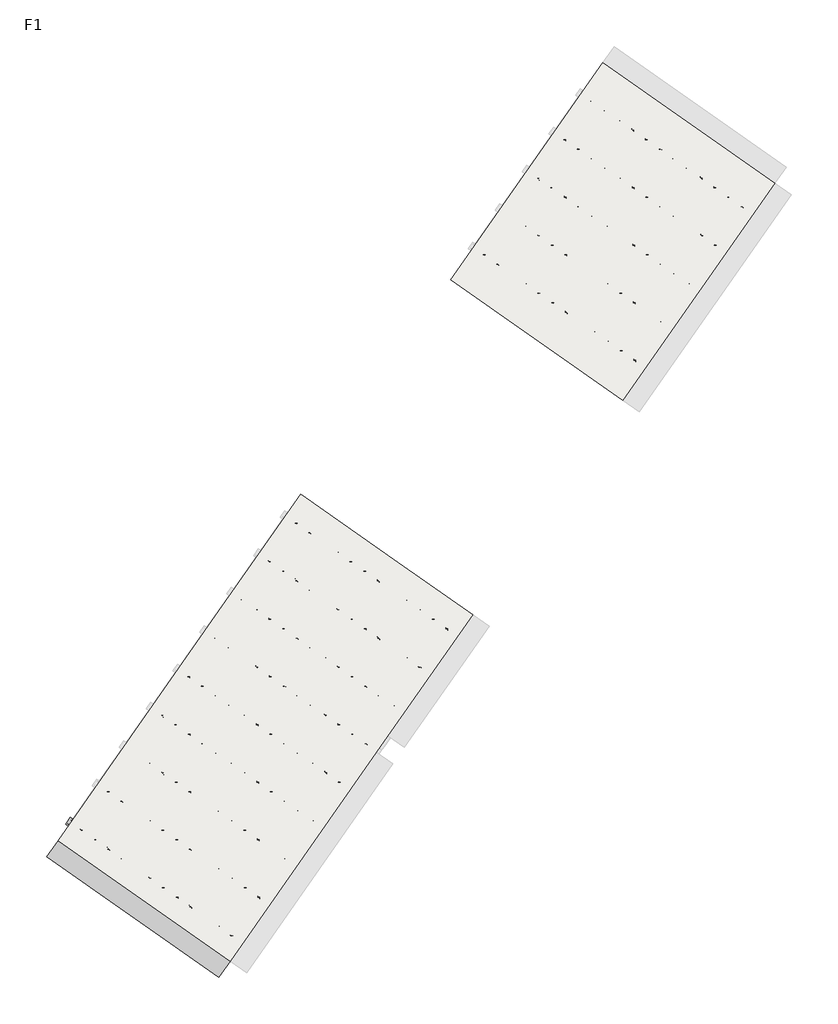
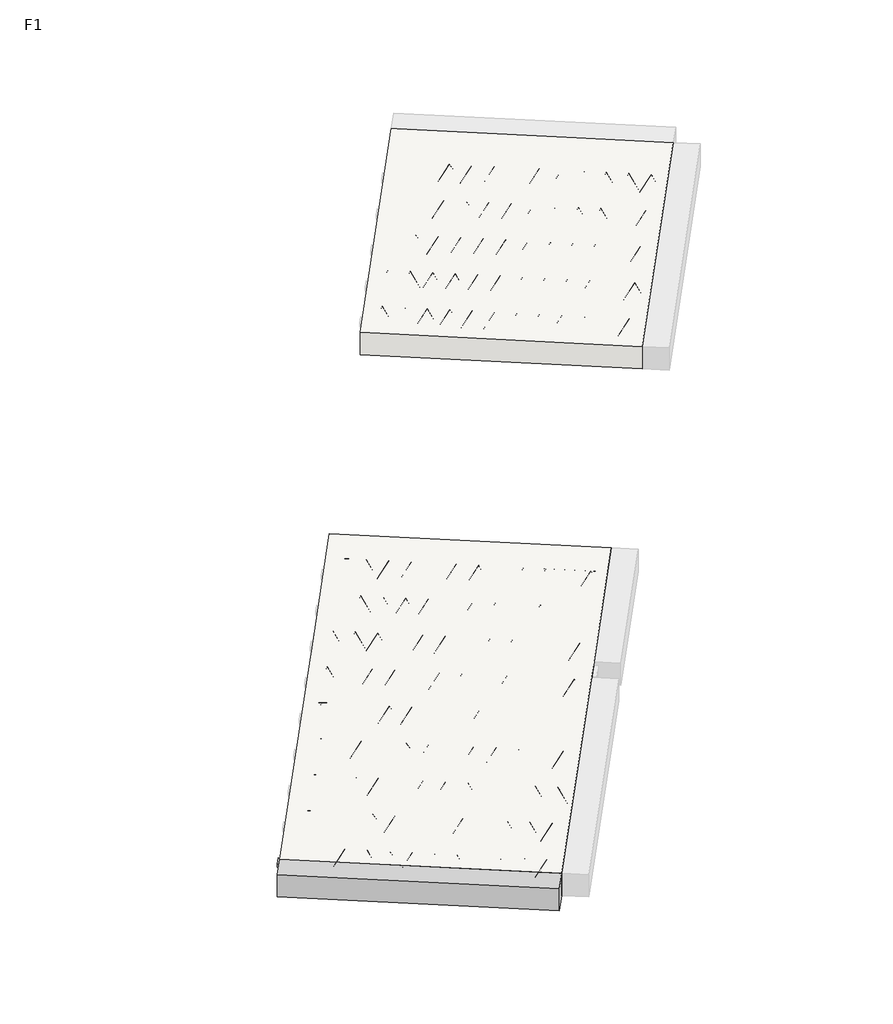
# One storey, part 1 of 30: 3 beams, 2 slabs.
"""IFC4 building model written with IfcOpenShell, lengths in millimetres."""

from ifc_helpers import new_model, si_unit, point, frame, origin, origin_2d, place, context, project, spatial, polyline, circle_curve, trimmed, segment, composite_curve, outline, extrude, element, save

model = new_model("IFC4")

# Units and contexts
model_context = context("Model", 3, world=origin())
ifc_project = project(units=[si_unit("LENGTHUNIT", "METRE", prefix="MILLI")], contexts=[model_context])

# Site, building, storey
site = spatial("IfcSite", under=ifc_project)
building = spatial("IfcBuilding", under=site)
storey = spatial("IfcBuildingStorey", under=building, Name="F1", Elevation=99520.0)

# Beams
placement = place(None, origin())
element("IfcBeam", 1, at=placement, inside=storey, context=model_context, shape_type="SweptSolid", body=[
    extrude(outline(polyline([(4421.0046381, -3839.9487683), (4489.8338105, -3741.650523), (7143.8864339, -5600.0381769), (7075.0572616, -5698.3364222), (4421.0046381, -3839.9487683)])), frame((0.0, 0.0, 99720.0), z_axis=(0.0, 0.0, 1.0), x_axis=(1.0, 0.0, 0.0)), (0.0, 0.0, 1.0), 50.0),
])
element("IfcBeam", 2, at=placement, inside=storey, context=model_context, shape_type="SweptSolid", body=[
    extrude(outline(composite_curve([segment(trimmed(circle_curve(origin_2d(), 2.5), [point((-2.5, 0.0))], [point((2.5, 0.0))], False, "CARTESIAN"), True, "CONTINUOUS"), segment(trimmed(circle_curve(origin_2d(), 2.5), [point((2.5, 0.0))], [point((-2.5, 0.0))], False, "CARTESIAN"), True, "CONTINUOUS")], self_intersect=False)), frame((7069.163447, -5664.9109386, 99745.0), z_axis=(-0.8191520442696126, 0.5735764363787226, 0.0), x_axis=(0.5735764363787226, 0.8191520442696126, 0.0)), (0.0, 0.0, 1.0), 3192.0),
    extrude(outline(composite_curve([segment(trimmed(circle_curve(origin_2d(), 2.5), [point((-2.5, 0.0))], [point((2.5, 0.0))], False, "CARTESIAN"), True, "CONTINUOUS"), segment(trimmed(circle_curve(origin_2d(), 2.5), [point((2.5, 0.0))], [point((-2.5, 0.0))], False, "CARTESIAN"), True, "CONTINUOUS")], self_intersect=False)), frame((6949.7371991, -5537.3398944, 99970.0), z_axis=(-0.8191520442696126, 0.5735764363787226, 0.0), x_axis=(0.5735764363787226, 0.8191520442696126, 0.0)), (0.0, 0.0, 1.0), 2850.0),
    extrude(outline(composite_curve([segment(trimmed(circle_curve(origin_2d(), 2.5), [point((-2.5, -1e-07))], [point((2.5, 0.0))], False, "CARTESIAN"), True, "CONTINUOUS"), segment(trimmed(circle_curve(origin_2d(), 2.5), [point((2.5, 0.0))], [point((-2.5, -1e-07))], False, "CARTESIAN"), True, "CONTINUOUS")], self_intersect=False)), frame((6990.5248507, -5609.8476007, 99745.0), z_axis=(-0.3145304735701046, 0.38933448886848654, 0.8657304643902053), x_axis=(0.7778747638402499, 0.6284193279813057, 0.0)), (0.0, 0.0, 1.0), 259.8961331),
    extrude(outline(composite_curve([segment(trimmed(circle_curve(origin_2d(), 2.5), [point((2.5000001, 0.0))], [point((-2.5, 1e-07))], False, "CARTESIAN"), True, "CONTINUOUS"), segment(trimmed(circle_curve(origin_2d(), 2.5), [point((-2.5, 1e-07))], [point((2.5000001, 0.0))], False, "CARTESIAN"), True, "CONTINUOUS")], self_intersect=False)), frame((6785.7368396, -5466.4534916, 99745.0), z_axis=(0.47343050384693375, -0.16240172737369005, 0.8657304643902051), x_axis=(-0.3244721671091268, -0.9458952440791246, 0.0)), (0.0, 0.0, 1.0), 259.8961331),
    extrude(outline(composite_curve([segment(trimmed(circle_curve(origin_2d(), 2.5), [point((-2.5, -1e-07))], [point((2.5000001, -1e-07))], False, "CARTESIAN"), True, "CONTINUOUS"), segment(trimmed(circle_curve(origin_2d(), 2.5), [point((2.5000001, -1e-07))], [point((-2.5, -1e-07))], False, "CARTESIAN"), True, "CONTINUOUS")], self_intersect=False)), frame((6785.7368396, -5466.4534916, 99745.0), z_axis=(-0.3145304735701046, 0.38933448886848654, 0.8657304643902053), x_axis=(0.7778747638402499, 0.6284193279813057, 0.0)), (0.0, 0.0, 1.0), 259.8961331),
    extrude(outline(composite_curve([segment(trimmed(circle_curve(origin_2d(), 2.5), [point((2.5000001, 0.0))], [point((-2.5, 0.0))], False, "CARTESIAN"), True, "CONTINUOUS"), segment(trimmed(circle_curve(origin_2d(), 2.5), [point((-2.5, 0.0))], [point((2.5000001, 0.0))], False, "CARTESIAN"), True, "CONTINUOUS")], self_intersect=False)), frame((6580.9488286, -5323.0593825, 99745.0), z_axis=(0.47343050384693375, -0.16240172737369005, 0.8657304643902051), x_axis=(-0.3244721671091268, -0.9458952440791246, 0.0)), (0.0, 0.0, 1.0), 259.8961331),
    extrude(outline(composite_curve([segment(trimmed(circle_curve(origin_2d(), 2.5), [point((-2.5, -1e-07))], [point((2.5, 0.0))], False, "CARTESIAN"), True, "CONTINUOUS"), segment(trimmed(circle_curve(origin_2d(), 2.5), [point((2.5, 0.0))], [point((-2.5, -1e-07))], False, "CARTESIAN"), True, "CONTINUOUS")], self_intersect=False)), frame((6580.9488286, -5323.0593825, 99745.0), z_axis=(-0.3145304735701046, 0.38933448886848654, 0.8657304643902053), x_axis=(0.7778747638402499, 0.6284193279813057, 0.0)), (0.0, 0.0, 1.0), 259.8961331),
    extrude(outline(composite_curve([segment(trimmed(circle_curve(origin_2d(), 2.5), [point((2.5, 0.0))], [point((-2.5000001, 0.0))], False, "CARTESIAN"), True, "CONTINUOUS"), segment(trimmed(circle_curve(origin_2d(), 2.5), [point((-2.5000001, 0.0))], [point((2.5, 0.0))], False, "CARTESIAN"), True, "CONTINUOUS")], self_intersect=False)), frame((6376.1608175, -5179.6652735, 99745.0), z_axis=(0.47343050384693375, -0.16240172737369005, 0.8657304643902051), x_axis=(-0.3244721671091268, -0.9458952440791246, 0.0)), (0.0, 0.0, 1.0), 259.8961331),
    extrude(outline(composite_curve([segment(trimmed(circle_curve(origin_2d(), 2.5), [point((-2.5, 0.0))], [point((2.5, 1e-07))], False, "CARTESIAN"), True, "CONTINUOUS"), segment(trimmed(circle_curve(origin_2d(), 2.5), [point((2.5, 1e-07))], [point((-2.5, 0.0))], False, "CARTESIAN"), True, "CONTINUOUS")], self_intersect=False)), frame((6376.1608175, -5179.6652735, 99745.0), z_axis=(-0.3145304735701046, 0.38933448886848654, 0.8657304643902053), x_axis=(0.7778747638402499, 0.6284193279813057, 0.0)), (0.0, 0.0, 1.0), 259.8961331),
    extrude(outline(composite_curve([segment(trimmed(circle_curve(origin_2d(), 2.5), [point((2.5, 0.0))], [point((-2.5000001, 0.0))], False, "CARTESIAN"), True, "CONTINUOUS"), segment(trimmed(circle_curve(origin_2d(), 2.5), [point((-2.5000001, 0.0))], [point((2.5, 0.0))], False, "CARTESIAN"), True, "CONTINUOUS")], self_intersect=False)), frame((6171.3728064, -5036.2711644, 99745.0), z_axis=(0.47343050384693375, -0.16240172737369005, 0.8657304643902051), x_axis=(-0.3244721671091268, -0.9458952440791246, 0.0)), (0.0, 0.0, 1.0), 259.8961331),
    extrude(outline(composite_curve([segment(trimmed(circle_curve(origin_2d(), 2.5), [point((-2.5, 0.0))], [point((2.5000001, 0.0))], False, "CARTESIAN"), True, "CONTINUOUS"), segment(trimmed(circle_curve(origin_2d(), 2.5), [point((2.5000001, 0.0))], [point((-2.5, 0.0))], False, "CARTESIAN"), True, "CONTINUOUS")], self_intersect=False)), frame((6171.3728064, -5036.2711644, 99745.0), z_axis=(-0.3145304735701046, 0.38933448886848654, 0.8657304643902053), x_axis=(0.7778747638402499, 0.6284193279813057, 0.0)), (0.0, 0.0, 1.0), 259.8961331),
    extrude(outline(composite_curve([segment(trimmed(circle_curve(origin_2d(), 2.5), [point((2.5, 0.0))], [point((-2.5, 0.0))], False, "CARTESIAN"), True, "CONTINUOUS"), segment(trimmed(circle_curve(origin_2d(), 2.5), [point((-2.5, 0.0))], [point((2.5, 0.0))], False, "CARTESIAN"), True, "CONTINUOUS")], self_intersect=False)), frame((5966.5847954, -4892.8770553, 99745.0), z_axis=(0.47343050384693375, -0.16240172737369005, 0.8657304643902051), x_axis=(-0.3244721671091268, -0.9458952440791246, 0.0)), (0.0, 0.0, 1.0), 259.8961331),
    extrude(outline(composite_curve([segment(trimmed(circle_curve(origin_2d(), 2.5), [point((-2.5, 0.0))], [point((2.5, 1e-07))], False, "CARTESIAN"), True, "CONTINUOUS"), segment(trimmed(circle_curve(origin_2d(), 2.5), [point((2.5, 1e-07))], [point((-2.5, 0.0))], False, "CARTESIAN"), True, "CONTINUOUS")], self_intersect=False)), frame((5966.5847954, -4892.8770553, 99745.0), z_axis=(-0.3145304735701046, 0.38933448886848654, 0.8657304643902053), x_axis=(0.7778747638402499, 0.6284193279813057, 0.0)), (0.0, 0.0, 1.0), 259.8961331),
    extrude(outline(composite_curve([segment(trimmed(circle_curve(origin_2d(), 2.5), [point((2.5, 0.0))], [point((-2.5, 0.0))], False, "CARTESIAN"), True, "CONTINUOUS"), segment(trimmed(circle_curve(origin_2d(), 2.5), [point((-2.5, 0.0))], [point((2.5, 0.0))], False, "CARTESIAN"), True, "CONTINUOUS")], self_intersect=False)), frame((5761.7967843, -4749.4829462, 99745.0), z_axis=(0.47343050384693375, -0.16240172737369005, 0.8657304643902051), x_axis=(-0.3244721671091268, -0.9458952440791246, 0.0)), (0.0, 0.0, 1.0), 259.8961331),
    extrude(outline(composite_curve([segment(trimmed(circle_curve(origin_2d(), 2.5), [point((-2.5, 0.0))], [point((2.5, 1e-07))], False, "CARTESIAN"), True, "CONTINUOUS"), segment(trimmed(circle_curve(origin_2d(), 2.5), [point((2.5, 1e-07))], [point((-2.5, 0.0))], False, "CARTESIAN"), True, "CONTINUOUS")], self_intersect=False)), frame((5761.7967843, -4749.4829462, 99745.0), z_axis=(-0.3145304735701046, 0.38933448886848654, 0.8657304643902053), x_axis=(0.7778747638402499, 0.6284193279813057, 0.0)), (0.0, 0.0, 1.0), 259.8961331),
    extrude(outline(composite_curve([segment(trimmed(circle_curve(origin_2d(), 2.5), [point((2.5, 0.0))], [point((-2.5, 1e-07))], False, "CARTESIAN"), True, "CONTINUOUS"), segment(trimmed(circle_curve(origin_2d(), 2.5), [point((-2.5, 1e-07))], [point((2.5, 0.0))], False, "CARTESIAN"), True, "CONTINUOUS")], self_intersect=False)), frame((5557.0087732, -4606.0888371, 99745.0), z_axis=(0.47343050384693375, -0.16240172737369005, 0.8657304643902051), x_axis=(-0.3244721671091268, -0.9458952440791246, 0.0)), (0.0, 0.0, 1.0), 259.8961331),
    extrude(outline(composite_curve([segment(trimmed(circle_curve(origin_2d(), 2.5), [point((-2.5, 0.0))], [point((2.5, 0.0))], False, "CARTESIAN"), True, "CONTINUOUS"), segment(trimmed(circle_curve(origin_2d(), 2.5), [point((2.5, 0.0))], [point((-2.5, 0.0))], False, "CARTESIAN"), True, "CONTINUOUS")], self_intersect=False)), frame((5557.0087732, -4606.0888371, 99745.0), z_axis=(-0.3145304735701046, 0.38933448886848654, 0.8657304643902053), x_axis=(0.7778747638402499, 0.6284193279813057, 0.0)), (0.0, 0.0, 1.0), 259.8961331),
    extrude(outline(composite_curve([segment(trimmed(circle_curve(origin_2d(), 2.5), [point((2.5, 0.0))], [point((-2.5, 0.0))], False, "CARTESIAN"), True, "CONTINUOUS"), segment(trimmed(circle_curve(origin_2d(), 2.5), [point((-2.5, 0.0))], [point((2.5, 0.0))], False, "CARTESIAN"), True, "CONTINUOUS")], self_intersect=False)), frame((5352.2207622, -4462.694728, 99745.0), z_axis=(0.47343050384693375, -0.16240172737369005, 0.8657304643902051), x_axis=(-0.3244721671091268, -0.9458952440791246, 0.0)), (0.0, 0.0, 1.0), 259.8961331),
    extrude(outline(composite_curve([segment(trimmed(circle_curve(origin_2d(), 2.5), [point((-2.5, 0.0))], [point((2.5, 0.0))], False, "CARTESIAN"), True, "CONTINUOUS"), segment(trimmed(circle_curve(origin_2d(), 2.5), [point((2.5, 0.0))], [point((-2.5, 0.0))], False, "CARTESIAN"), True, "CONTINUOUS")], self_intersect=False)), frame((5352.2207622, -4462.694728, 99745.0), z_axis=(-0.3145304735701046, 0.38933448886848654, 0.8657304643902053), x_axis=(0.7778747638402499, 0.6284193279813057, 0.0)), (0.0, 0.0, 1.0), 259.8961331),
    extrude(outline(composite_curve([segment(trimmed(circle_curve(origin_2d(), 2.5), [point((2.5, 0.0))], [point((-2.5, 0.0))], False, "CARTESIAN"), True, "CONTINUOUS"), segment(trimmed(circle_curve(origin_2d(), 2.5), [point((-2.5, 0.0))], [point((2.5, 0.0))], False, "CARTESIAN"), True, "CONTINUOUS")], self_intersect=False)), frame((5147.4327511, -4319.3006189, 99745.0), z_axis=(0.47343050384693375, -0.16240172737369005, 0.8657304643902051), x_axis=(-0.3244721671091268, -0.9458952440791246, 0.0)), (0.0, 0.0, 1.0), 259.8961331),
    extrude(outline(composite_curve([segment(trimmed(circle_curve(origin_2d(), 2.5), [point((-2.5, 0.0))], [point((2.5, 0.0))], False, "CARTESIAN"), True, "CONTINUOUS"), segment(trimmed(circle_curve(origin_2d(), 2.5), [point((2.5, 0.0))], [point((-2.5, 0.0))], False, "CARTESIAN"), True, "CONTINUOUS")], self_intersect=False)), frame((5147.4327511, -4319.3006189, 99745.0), z_axis=(-0.3145304735701046, 0.38933448886848654, 0.8657304643902053), x_axis=(0.7778747638402499, 0.6284193279813057, 0.0)), (0.0, 0.0, 1.0), 259.8961331),
    extrude(outline(composite_curve([segment(trimmed(circle_curve(origin_2d(), 2.5), [point((2.5, 0.0))], [point((-2.5, 1e-07))], False, "CARTESIAN"), True, "CONTINUOUS"), segment(trimmed(circle_curve(origin_2d(), 2.5), [point((-2.5, 1e-07))], [point((2.5, 0.0))], False, "CARTESIAN"), True, "CONTINUOUS")], self_intersect=False)), frame((4942.64474, -4175.9065098, 99745.0), z_axis=(0.47343050384693375, -0.16240172737369005, 0.8657304643902051), x_axis=(-0.3244721671091268, -0.9458952440791246, 0.0)), (0.0, 0.0, 1.0), 259.8961331),
    extrude(outline(composite_curve([segment(trimmed(circle_curve(origin_2d(), 2.5), [point((-2.5, 0.0))], [point((2.5, 0.0))], False, "CARTESIAN"), True, "CONTINUOUS"), segment(trimmed(circle_curve(origin_2d(), 2.5), [point((2.5, 0.0))], [point((-2.5, 0.0))], False, "CARTESIAN"), True, "CONTINUOUS")], self_intersect=False)), frame((4942.64474, -4175.9065098, 99745.0), z_axis=(-0.3145304735701046, 0.38933448886848654, 0.8657304643902053), x_axis=(0.7778747638402499, 0.6284193279813057, 0.0)), (0.0, 0.0, 1.0), 259.8961331),
    extrude(outline(composite_curve([segment(trimmed(circle_curve(origin_2d(), 2.5), [point((2.5, 0.0))], [point((-2.5, 0.0))], False, "CARTESIAN"), True, "CONTINUOUS"), segment(trimmed(circle_curve(origin_2d(), 2.5), [point((-2.5, 0.0))], [point((2.5, 0.0))], False, "CARTESIAN"), True, "CONTINUOUS")], self_intersect=False)), frame((4737.856729, -4032.5124007, 99745.0), z_axis=(0.47343050384693375, -0.16240172737369005, 0.8657304643902051), x_axis=(-0.3244721671091268, -0.9458952440791246, 0.0)), (0.0, 0.0, 1.0), 259.8961331),
    extrude(outline(composite_curve([segment(trimmed(circle_curve(origin_2d(), 2.5), [point((-2.5, 0.0))], [point((2.5, 0.0))], False, "CARTESIAN"), True, "CONTINUOUS"), segment(trimmed(circle_curve(origin_2d(), 2.5), [point((2.5, 0.0))], [point((-2.5, 0.0))], False, "CARTESIAN"), True, "CONTINUOUS")], self_intersect=False)), frame((4737.856729, -4032.5124007, 99745.0), z_axis=(-0.3145304735701046, 0.38933448886848654, 0.8657304643902053), x_axis=(0.7778747638402499, 0.6284193279813057, 0.0)), (0.0, 0.0, 1.0), 259.8961331),
    extrude(outline(composite_curve([segment(trimmed(circle_curve(origin_2d(), 2.5), [point((2.5, 0.0))], [point((-2.5, 0.0))], False, "CARTESIAN"), True, "CONTINUOUS"), segment(trimmed(circle_curve(origin_2d(), 2.5), [point((-2.5, 0.0))], [point((2.5, 0.0))], False, "CARTESIAN"), True, "CONTINUOUS")], self_intersect=False)), frame((4533.0687179, -3889.1182916, 99745.0), z_axis=(0.47343050384693375, -0.16240172737369005, 0.8657304643902051), x_axis=(-0.3244721671091268, -0.9458952440791246, 0.0)), (0.0, 0.0, 1.0), 259.8961331),
    extrude(outline(composite_curve([segment(trimmed(circle_curve(origin_2d(), 2.5), [point((-2.5000001, 0.0))], [point((2.5, 0.0))], False, "CARTESIAN"), True, "CONTINUOUS"), segment(trimmed(circle_curve(origin_2d(), 2.5), [point((2.5, 0.0))], [point((-2.5000001, 0.0))], False, "CARTESIAN"), True, "CONTINUOUS")], self_intersect=False)), frame((7110.4609504, -5605.9319914, 99745.0), z_axis=(-0.8191520442696126, 0.5735764363787226, 0.0), x_axis=(0.5735764363787226, 0.8191520442696126, 0.0)), (0.0, 0.0, 1.0), 3192.0),
    extrude(outline(composite_curve([segment(trimmed(circle_curve(origin_2d(), 2.5), [point((-2.5000001, 0.0))], [point((2.5, 0.0))], False, "CARTESIAN"), True, "CONTINUOUS"), segment(trimmed(circle_curve(origin_2d(), 2.5), [point((2.5, 0.0))], [point((-2.5000001, 0.0))], False, "CARTESIAN"), True, "CONTINUOUS")], self_intersect=False)), frame((7031.8223541, -5550.8686535, 99745.0), z_axis=(-0.47343050384693375, 0.16240172737369005, 0.8657304643902051), x_axis=(0.3244721671091268, 0.9458952440791246, 0.0)), (0.0, 0.0, 1.0), 259.8961331),
    extrude(outline(composite_curve([segment(trimmed(circle_curve(origin_2d(), 2.5), [point((2.5, 0.0))], [point((-2.5, -1e-07))], False, "CARTESIAN"), True, "CONTINUOUS"), segment(trimmed(circle_curve(origin_2d(), 2.5), [point((-2.5, -1e-07))], [point((2.5, 0.0))], False, "CARTESIAN"), True, "CONTINUOUS")], self_intersect=False)), frame((6827.0343431, -5407.4745445, 99745.0), z_axis=(0.3145304735701046, -0.38933448886848654, 0.8657304643902053), x_axis=(-0.7778747638402499, -0.6284193279813057, 0.0)), (0.0, 0.0, 1.0), 259.8961331),
    extrude(outline(composite_curve([segment(trimmed(circle_curve(origin_2d(), 2.5), [point((-2.5, 1e-07))], [point((2.5000001, 0.0))], False, "CARTESIAN"), True, "CONTINUOUS"), segment(trimmed(circle_curve(origin_2d(), 2.5), [point((2.5000001, 0.0))], [point((-2.5, 1e-07))], False, "CARTESIAN"), True, "CONTINUOUS")], self_intersect=False)), frame((6827.0343431, -5407.4745445, 99745.0), z_axis=(-0.47343050384693375, 0.16240172737369005, 0.8657304643902051), x_axis=(0.3244721671091268, 0.9458952440791246, 0.0)), (0.0, 0.0, 1.0), 259.8961331),
    extrude(outline(composite_curve([segment(trimmed(circle_curve(origin_2d(), 2.5), [point((2.5, 0.0))], [point((-2.5, -1e-07))], False, "CARTESIAN"), True, "CONTINUOUS"), segment(trimmed(circle_curve(origin_2d(), 2.5), [point((-2.5, -1e-07))], [point((2.5, 0.0))], False, "CARTESIAN"), True, "CONTINUOUS")], self_intersect=False)), frame((6622.246332, -5264.0804354, 99745.0), z_axis=(0.3145304735701046, -0.38933448886848654, 0.8657304643902053), x_axis=(-0.7778747638402499, -0.6284193279813057, 0.0)), (0.0, 0.0, 1.0), 259.8961331),
    extrude(outline(composite_curve([segment(trimmed(circle_curve(origin_2d(), 2.5), [point((-2.5, 0.0))], [point((2.5, 0.0))], False, "CARTESIAN"), True, "CONTINUOUS"), segment(trimmed(circle_curve(origin_2d(), 2.5), [point((2.5, 0.0))], [point((-2.5, 0.0))], False, "CARTESIAN"), True, "CONTINUOUS")], self_intersect=False)), frame((6622.246332, -5264.0804354, 99745.0), z_axis=(-0.47343050384693375, 0.16240172737369005, 0.8657304643902051), x_axis=(0.3244721671091268, 0.9458952440791246, 0.0)), (0.0, 0.0, 1.0), 259.8961331),
    extrude(outline(composite_curve([segment(trimmed(circle_curve(origin_2d(), 2.5), [point((2.5, 0.0))], [point((-2.5, -1e-07))], False, "CARTESIAN"), True, "CONTINUOUS"), segment(trimmed(circle_curve(origin_2d(), 2.5), [point((-2.5, -1e-07))], [point((2.5, 0.0))], False, "CARTESIAN"), True, "CONTINUOUS")], self_intersect=False)), frame((6417.4583209, -5120.6863263, 99745.0), z_axis=(0.3145304735701046, -0.38933448886848654, 0.8657304643902053), x_axis=(-0.7778747638402499, -0.6284193279813057, 0.0)), (0.0, 0.0, 1.0), 259.8961331),
    extrude(outline(composite_curve([segment(trimmed(circle_curve(origin_2d(), 2.5), [point((-2.5, 0.0))], [point((2.5, 0.0))], False, "CARTESIAN"), True, "CONTINUOUS"), segment(trimmed(circle_curve(origin_2d(), 2.5), [point((2.5, 0.0))], [point((-2.5, 0.0))], False, "CARTESIAN"), True, "CONTINUOUS")], self_intersect=False)), frame((6417.4583209, -5120.6863263, 99745.0), z_axis=(-0.47343050384693375, 0.16240172737369005, 0.8657304643902051), x_axis=(0.3244721671091268, 0.9458952440791246, 0.0)), (0.0, 0.0, 1.0), 259.8961331),
    extrude(outline(composite_curve([segment(trimmed(circle_curve(origin_2d(), 2.5), [point((2.5, 0.0))], [point((-2.5, 0.0))], False, "CARTESIAN"), True, "CONTINUOUS"), segment(trimmed(circle_curve(origin_2d(), 2.5), [point((-2.5, 0.0))], [point((2.5, 0.0))], False, "CARTESIAN"), True, "CONTINUOUS")], self_intersect=False)), frame((6212.6703099, -4977.2922172, 99745.0), z_axis=(0.3145304735701046, -0.38933448886848654, 0.8657304643902053), x_axis=(-0.7778747638402499, -0.6284193279813057, 0.0)), (0.0, 0.0, 1.0), 259.8961331),
    extrude(outline(composite_curve([segment(trimmed(circle_curve(origin_2d(), 2.5), [point((-2.5, 1e-07))], [point((2.5, 0.0))], False, "CARTESIAN"), True, "CONTINUOUS"), segment(trimmed(circle_curve(origin_2d(), 2.5), [point((2.5, 0.0))], [point((-2.5, 1e-07))], False, "CARTESIAN"), True, "CONTINUOUS")], self_intersect=False)), frame((6212.6703099, -4977.2922172, 99745.0), z_axis=(-0.47343050384693375, 0.16240172737369005, 0.8657304643902051), x_axis=(0.3244721671091268, 0.9458952440791246, 0.0)), (0.0, 0.0, 1.0), 259.8961331),
    extrude(outline(composite_curve([segment(trimmed(circle_curve(origin_2d(), 2.5), [point((2.5, 0.0))], [point((-2.5, 0.0))], False, "CARTESIAN"), True, "CONTINUOUS"), segment(trimmed(circle_curve(origin_2d(), 2.5), [point((-2.5, 0.0))], [point((2.5, 0.0))], False, "CARTESIAN"), True, "CONTINUOUS")], self_intersect=False)), frame((6007.8822988, -4833.8981081, 99745.0), z_axis=(0.3145304735701046, -0.38933448886848654, 0.8657304643902053), x_axis=(-0.7778747638402499, -0.6284193279813057, 0.0)), (0.0, 0.0, 1.0), 259.8961331),
    extrude(outline(composite_curve([segment(trimmed(circle_curve(origin_2d(), 2.5), [point((-2.5, 0.0))], [point((2.5, 0.0))], False, "CARTESIAN"), True, "CONTINUOUS"), segment(trimmed(circle_curve(origin_2d(), 2.5), [point((2.5, 0.0))], [point((-2.5, 0.0))], False, "CARTESIAN"), True, "CONTINUOUS")], self_intersect=False)), frame((6007.8822988, -4833.8981081, 99745.0), z_axis=(-0.47343050384693375, 0.16240172737369005, 0.8657304643902051), x_axis=(0.3244721671091268, 0.9458952440791246, 0.0)), (0.0, 0.0, 1.0), 259.8961331),
    extrude(outline(composite_curve([segment(trimmed(circle_curve(origin_2d(), 2.5), [point((2.5, 0.0))], [point((-2.5, 0.0))], False, "CARTESIAN"), True, "CONTINUOUS"), segment(trimmed(circle_curve(origin_2d(), 2.5), [point((-2.5, 0.0))], [point((2.5, 0.0))], False, "CARTESIAN"), True, "CONTINUOUS")], self_intersect=False)), frame((5803.0942877, -4690.503999, 99745.0), z_axis=(0.3145304735701046, -0.38933448886848654, 0.8657304643902053), x_axis=(-0.7778747638402499, -0.6284193279813057, 0.0)), (0.0, 0.0, 1.0), 259.8961331),
    extrude(outline(composite_curve([segment(trimmed(circle_curve(origin_2d(), 2.5), [point((-2.5, 0.0))], [point((2.5, 0.0))], False, "CARTESIAN"), True, "CONTINUOUS"), segment(trimmed(circle_curve(origin_2d(), 2.5), [point((2.5, 0.0))], [point((-2.5, 0.0))], False, "CARTESIAN"), True, "CONTINUOUS")], self_intersect=False)), frame((5803.0942877, -4690.503999, 99745.0), z_axis=(-0.47343050384693375, 0.16240172737369005, 0.8657304643902051), x_axis=(0.3244721671091268, 0.9458952440791246, 0.0)), (0.0, 0.0, 1.0), 259.8961331),
    extrude(outline(composite_curve([segment(trimmed(circle_curve(origin_2d(), 2.5), [point((2.5000001, -1e-07))], [point((-2.5, 0.0))], False, "CARTESIAN"), True, "CONTINUOUS"), segment(trimmed(circle_curve(origin_2d(), 2.5), [point((-2.5, 0.0))], [point((2.5000001, -1e-07))], False, "CARTESIAN"), True, "CONTINUOUS")], self_intersect=False)), frame((5598.3062767, -4547.1098899, 99745.0), z_axis=(0.3145304735701046, -0.38933448886848654, 0.8657304643902053), x_axis=(-0.7778747638402499, -0.6284193279813057, 0.0)), (0.0, 0.0, 1.0), 259.8961331),
    extrude(outline(composite_curve([segment(trimmed(circle_curve(origin_2d(), 2.5), [point((-2.5, 1e-07))], [point((2.5, 0.0))], False, "CARTESIAN"), True, "CONTINUOUS"), segment(trimmed(circle_curve(origin_2d(), 2.5), [point((2.5, 0.0))], [point((-2.5, 1e-07))], False, "CARTESIAN"), True, "CONTINUOUS")], self_intersect=False)), frame((5598.3062767, -4547.1098899, 99745.0), z_axis=(-0.47343050384693375, 0.16240172737369005, 0.8657304643902051), x_axis=(0.3244721671091268, 0.9458952440791246, 0.0)), (0.0, 0.0, 1.0), 259.8961331),
    extrude(outline(composite_curve([segment(trimmed(circle_curve(origin_2d(), 2.5), [point((2.5, 0.0))], [point((-2.5, 0.0))], False, "CARTESIAN"), True, "CONTINUOUS"), segment(trimmed(circle_curve(origin_2d(), 2.5), [point((-2.5, 0.0))], [point((2.5, 0.0))], False, "CARTESIAN"), True, "CONTINUOUS")], self_intersect=False)), frame((5393.5182656, -4403.7157808, 99745.0), z_axis=(0.3145304735701046, -0.38933448886848654, 0.8657304643902053), x_axis=(-0.7778747638402499, -0.6284193279813057, 0.0)), (0.0, 0.0, 1.0), 259.8961331),
    extrude(outline(composite_curve([segment(trimmed(circle_curve(origin_2d(), 2.5), [point((-2.5, 0.0))], [point((2.5, 0.0))], False, "CARTESIAN"), True, "CONTINUOUS"), segment(trimmed(circle_curve(origin_2d(), 2.5), [point((2.5, 0.0))], [point((-2.5, 0.0))], False, "CARTESIAN"), True, "CONTINUOUS")], self_intersect=False)), frame((5393.5182656, -4403.7157808, 99745.0), z_axis=(-0.47343050384693375, 0.16240172737369005, 0.8657304643902051), x_axis=(0.3244721671091268, 0.9458952440791246, 0.0)), (0.0, 0.0, 1.0), 259.8961331),
    extrude(outline(composite_curve([segment(trimmed(circle_curve(origin_2d(), 2.5), [point((2.5, 0.0))], [point((-2.5, 0.0))], False, "CARTESIAN"), True, "CONTINUOUS"), segment(trimmed(circle_curve(origin_2d(), 2.5), [point((-2.5, 0.0))], [point((2.5, 0.0))], False, "CARTESIAN"), True, "CONTINUOUS")], self_intersect=False)), frame((5188.7302545, -4260.3216717, 99745.0), z_axis=(0.3145304735701046, -0.38933448886848654, 0.8657304643902053), x_axis=(-0.7778747638402499, -0.6284193279813057, 0.0)), (0.0, 0.0, 1.0), 259.8961331),
    extrude(outline(composite_curve([segment(trimmed(circle_curve(origin_2d(), 2.5), [point((-2.5, 0.0))], [point((2.5, 0.0))], False, "CARTESIAN"), True, "CONTINUOUS"), segment(trimmed(circle_curve(origin_2d(), 2.5), [point((2.5, 0.0))], [point((-2.5, 0.0))], False, "CARTESIAN"), True, "CONTINUOUS")], self_intersect=False)), frame((5188.7302545, -4260.3216717, 99745.0), z_axis=(-0.47343050384693375, 0.16240172737369005, 0.8657304643902051), x_axis=(0.3244721671091268, 0.9458952440791246, 0.0)), (0.0, 0.0, 1.0), 259.8961331),
    extrude(outline(composite_curve([segment(trimmed(circle_curve(origin_2d(), 2.5), [point((2.5000001, -1e-07))], [point((-2.5, 0.0))], False, "CARTESIAN"), True, "CONTINUOUS"), segment(trimmed(circle_curve(origin_2d(), 2.5), [point((-2.5, 0.0))], [point((2.5000001, -1e-07))], False, "CARTESIAN"), True, "CONTINUOUS")], self_intersect=False)), frame((4983.9422435, -4116.9275626, 99745.0), z_axis=(0.3145304735701046, -0.38933448886848654, 0.8657304643902053), x_axis=(-0.7778747638402499, -0.6284193279813057, 0.0)), (0.0, 0.0, 1.0), 259.8961331),
    extrude(outline(composite_curve([segment(trimmed(circle_curve(origin_2d(), 2.5), [point((-2.5, 1e-07))], [point((2.5, 0.0))], False, "CARTESIAN"), True, "CONTINUOUS"), segment(trimmed(circle_curve(origin_2d(), 2.5), [point((2.5, 0.0))], [point((-2.5, 1e-07))], False, "CARTESIAN"), True, "CONTINUOUS")], self_intersect=False)), frame((4983.9422435, -4116.9275626, 99745.0), z_axis=(-0.47343050384693375, 0.16240172737369005, 0.8657304643902051), x_axis=(0.3244721671091268, 0.9458952440791246, 0.0)), (0.0, 0.0, 1.0), 259.8961331),
    extrude(outline(composite_curve([segment(trimmed(circle_curve(origin_2d(), 2.5), [point((2.5, 0.0))], [point((-2.5, 0.0))], False, "CARTESIAN"), True, "CONTINUOUS"), segment(trimmed(circle_curve(origin_2d(), 2.5), [point((-2.5, 0.0))], [point((2.5, 0.0))], False, "CARTESIAN"), True, "CONTINUOUS")], self_intersect=False)), frame((4779.1542324, -3973.5334535, 99745.0), z_axis=(0.3145304735701046, -0.38933448886848654, 0.8657304643902053), x_axis=(-0.7778747638402499, -0.6284193279813057, 0.0)), (0.0, 0.0, 1.0), 259.8961331),
    extrude(outline(composite_curve([segment(trimmed(circle_curve(origin_2d(), 2.5), [point((-2.5, 0.0))], [point((2.5, 0.0))], False, "CARTESIAN"), True, "CONTINUOUS"), segment(trimmed(circle_curve(origin_2d(), 2.5), [point((2.5, 0.0))], [point((-2.5, 0.0))], False, "CARTESIAN"), True, "CONTINUOUS")], self_intersect=False)), frame((4779.1542324, -3973.5334535, 99745.0), z_axis=(-0.47343050384693375, 0.16240172737369005, 0.8657304643902051), x_axis=(0.3244721671091268, 0.9458952440791246, 0.0)), (0.0, 0.0, 1.0), 259.8961331),
    extrude(outline(composite_curve([segment(trimmed(circle_curve(origin_2d(), 2.5), [point((2.5, 0.0))], [point((-2.5, 0.0))], False, "CARTESIAN"), True, "CONTINUOUS"), segment(trimmed(circle_curve(origin_2d(), 2.5), [point((-2.5, 0.0))], [point((2.5, 0.0))], False, "CARTESIAN"), True, "CONTINUOUS")], self_intersect=False)), frame((4574.3662213, -3830.1393444, 99745.0), z_axis=(0.3145304735701046, -0.38933448886848654, 0.8657304643902053), x_axis=(-0.7778747638402499, -0.6284193279813057, 0.0)), (0.0, 0.0, 1.0), 259.8961331),
])
element("IfcBeam", 3, at=placement, inside=storey, context=model_context, shape_type="SweptSolid", body=[
    extrude(outline(polyline([(4137.3177958, -4332.2679107), (4309.3907267, -4086.5222974), (6881.5281457, -5887.5523076), (6709.4552148, -6133.2979209), (4137.3177958, -4332.2679107)])), frame((0.0, 0.0, 99720.0), z_axis=(0.0, 0.0, 1.0), x_axis=(1.0, 0.0, 0.0)), (0.0, 0.0, 1.0), 300.0),
])

# Slabs
element("IfcSlab", 4, ObjectType="DirectShapeType 1092", at=placement, inside=storey, context=model_context, shape_type="SweptSolid", body=[
    extrude(outline(polyline([(15020.5777742, 5736.2151995), (12749.2150861, 2492.3731042), (10177.0776675, 4293.4031142), (12448.4403556, 7537.2452095), (15020.5777742, 5736.2151995)])), frame((0.0, 0.0, 99720.0), z_axis=(0.0, 0.0, 1.0), x_axis=(1.0, 0.0, 0.0)), (0.0, 0.0, 1.0), 300.0),
])
element("IfcSlab", 5, ObjectType="DirectShapeType 1092", at=placement, inside=storey, context=model_context, shape_type="SweptSolid", body=[
    extrude(outline(polyline([(7934.3938012, 1090.5186211), (9396.5802003, 66.6846821), (10506.5312199, -710.5113889), (9238.9090804, -2520.8634206), (9066.8361495, -2766.6090339), (6881.5281437, -5887.5523063), (4309.390725, -4086.5222963), (6494.6987309, -965.5790239), (6666.7716618, -719.8334106), (7934.3938012, 1090.5186211)])), frame((0.0, 0.0, 99720.0), z_axis=(0.0, 0.0, 1.0), x_axis=(1.0, 0.0, 0.0)), (0.0, 0.0, 1.0), 300.0),
])

save(model, "model.ifc")
